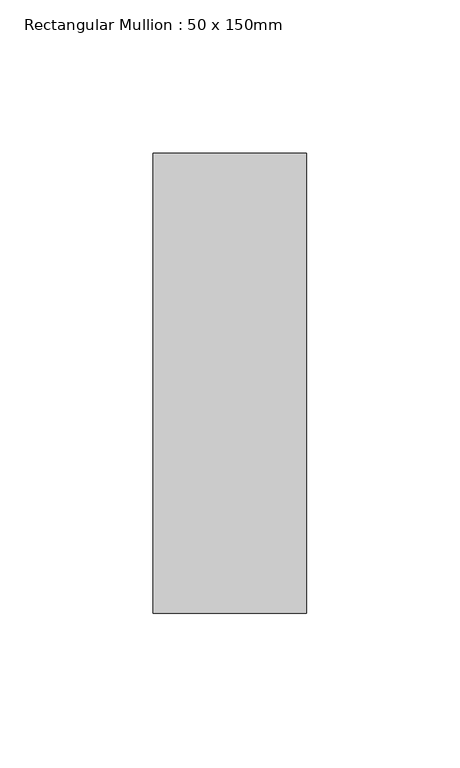
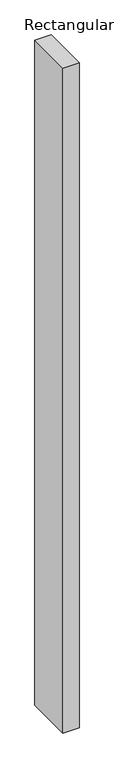
"""IFC4 building model written with IfcOpenShell, lengths in millimetres: member geometry, Rectangular Mullion : 50 x 150mm."""

from ifc_helpers import new_model, si_unit, frame, origin, place, context, project, spatial, polyline, outline, extrude, source, transform, mapped, element, save


def rectangular_mullion_50_x_150mm_0a54999a(model_context):
    return source(origin(), model_context, "Body", "SweptSolid", [
        extrude(outline(polyline([(0.0, 75.0), (0.0, -75.0), (-50.0, -75.0), (-50.0, 75.0), (0.0, 75.0)])), frame((0.0, 0.0, -2175.0), z_axis=(0.0, 0.0, 1.0), x_axis=(1.0, 0.0, 0.0)), (0.0, 0.0, 1.0), 2175.0),
    ])


if __name__ == "__main__":
    model = new_model("IFC4")
    model_context = context("Model", 3, world=origin())
    ifc_project = project(units=[si_unit("LENGTHUNIT", "METRE", prefix="MILLI")], contexts=[model_context])
    site = spatial("IfcSite", under=ifc_project)
    building = spatial("IfcBuilding", under=site)
    placement = place(None, origin())
    rectangular_mullion_50_x_150mm_shape = rectangular_mullion_50_x_150mm_0a54999a(model_context)
    element("IfcMember", 1, ObjectType="Rectangular Mullion : 50 x 150mm", at=placement, inside=building, context=model_context, shape_type="MappedRepresentation", body=[
        mapped(rectangular_mullion_50_x_150mm_shape, transform((0.0, 0.0, 0.0), x_axis=(1.0, 0.0, 0.0), y_axis=(0.0, 1.0, 0.0), z_axis=(0.0, 0.0, 1.0))),
    ])
    save(model, "model.ifc")
